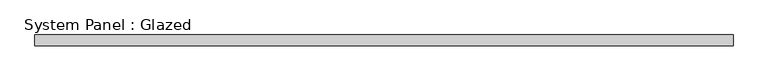
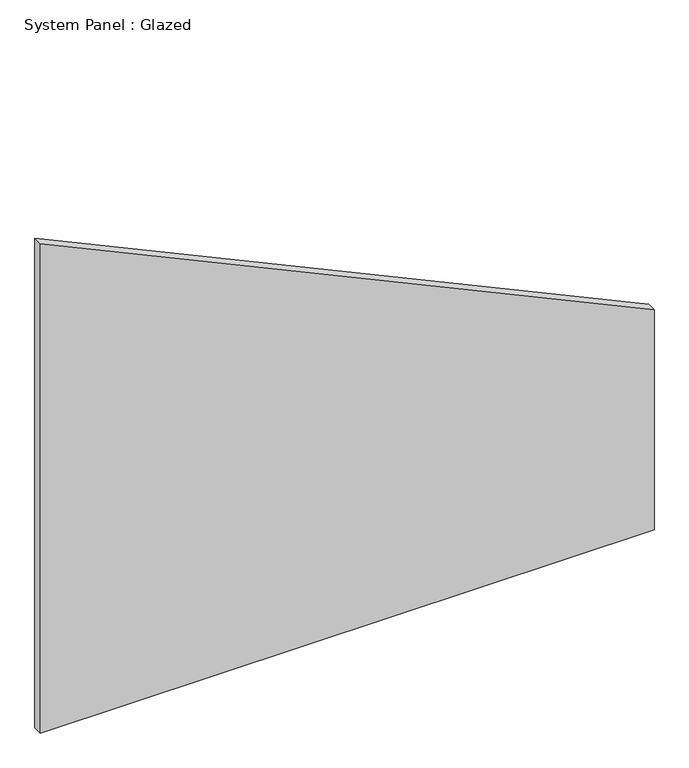
"""IFC4 building model written with IfcOpenShell, lengths in millimetres: plate geometry, System Panel : Glazed."""

from ifc_helpers import new_model, si_unit, frame, origin, place, context, project, spatial, polyline, outline, extrude, source, transform, mapped, element, save


def system_panel_glazed_92afe8ff(model_context):
    return source(origin(), model_context, "Body", "SweptSolid", [
        extrude(outline(polyline([(0.0, -808.6842105), (0.0, 808.6842105), (613.7102726, 808.6842105), (1364.0079417, -808.6842105), (0.0, -808.6842105)])), frame((0.0, 52.5, 0.0), z_axis=(0.0, 1.0, 0.0), x_axis=(0.0, 0.0, 1.0)), (0.0, 0.0, 1.0), 25.0),
    ])


if __name__ == "__main__":
    model = new_model("IFC4")
    model_context = context("Model", 3, world=origin())
    ifc_project = project(units=[si_unit("LENGTHUNIT", "METRE", prefix="MILLI")], contexts=[model_context])
    site = spatial("IfcSite", under=ifc_project)
    building = spatial("IfcBuilding", under=site)
    placement = place(None, origin())
    system_panel_glazed_shape = system_panel_glazed_92afe8ff(model_context)
    element("IfcPlate", 1, ObjectType="System Panel : Glazed", at=placement, inside=building, context=model_context, shape_type="MappedRepresentation", body=[
        mapped(system_panel_glazed_shape, transform((0.0, 0.0, 0.0), x_axis=(1.0, 0.0, 0.0), y_axis=(0.0, 1.0, 0.0), z_axis=(0.0, 0.0, 1.0))),
    ])
    save(model, "model.ifc")
